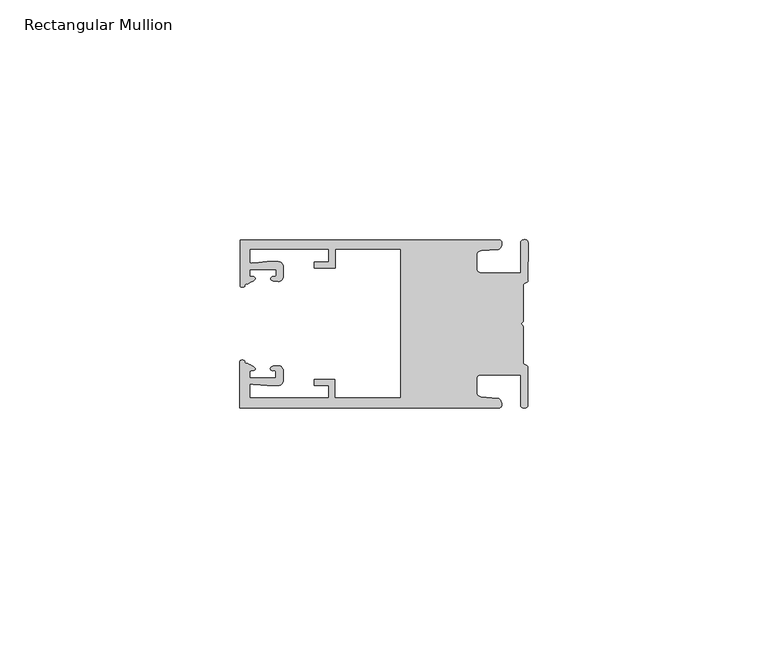
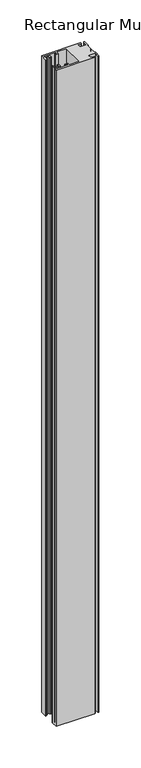
"""IFC4 building model written with IfcOpenShell, lengths in millimetres: member geometry, Rectangular Mullion."""

import ifcopenshell
import ifcopenshell.guid

model = None  # the IFC model being written
_history = None  # IfcOwnerHistory: only IFC2X3 demands one
_inside = {}  # id of a spatial element -> (the spatial element, [elements in it])
_under = {}  # id of a project, library or spatial element -> (it, [spatial elements below it])
_declared = {}  # id of a project -> (the project, [libraries it declares])
_typed = {}  # id of a type object -> (the type object, [elements of that type])
_made_of = {}  # id of a material, layer set ... -> (it, [elements and type objects made of it])


def new_model(schema):
    """Start an empty IFC model of exactly this schema.

    Asked for "IFC4X3", IfcOpenShell would pick the latest addendum, in which some entities
    have other attributes; the version numbers below select the first issue.
    IFC2X3 requires an IfcOwnerHistory on every rooted entity: one is made here for all.
    """
    global model, _history
    if schema == "IFC4X3":
        model = ifcopenshell.file(schema_version=(4, 3, 0, 0))
    else:
        model = ifcopenshell.file(schema=schema)
    _inside.clear()
    _under.clear()
    _declared.clear()
    _typed.clear()
    _made_of.clear()
    _history = None
    if model.schema == "IFC2X3":
        org = make("IfcOrganization", Name="unknown")
        user = make(
            "IfcPersonAndOrganization",
            ThePerson=make("IfcPerson", FamilyName="unknown"),
            TheOrganization=org,
        )
        app = make(
            "IfcApplication",
            ApplicationDeveloper=org,
            Version="unknown",
            ApplicationFullName="unknown",
            ApplicationIdentifier="unknown",
        )
        _history = make(
            "IfcOwnerHistory",
            OwningUser=user,
            OwningApplication=app,
            ChangeAction="ADDED",
            CreationDate=0,
        )
    return model


def make(cls, **values):
    """One entity of the class cls with the attributes given. An attribute that is None is left unset."""
    return model.create_entity(
        cls, **{name: value for name, value in values.items() if value is not None}
    )


def rooted(cls, **values):
    """An entity with a GlobalId (a new one), such as an element, a storey or a relation."""
    return make(cls, GlobalId=ifcopenshell.guid.new(), OwnerHistory=_history, **values)


def si_unit(unit_type, name, prefix=None):
    """IfcSIUnit, for example si_unit("LENGTHUNIT", "METRE", prefix="MILLI")."""
    return make("IfcSIUnit", UnitType=unit_type, Prefix=prefix, Name=name)


def assignment(units):
    """IfcUnitAssignment: the units of a project."""
    return None if units is None else make("IfcUnitAssignment", Units=units)


def point(xyz):
    """IfcCartesianPoint."""
    return None if xyz is None else make("IfcCartesianPoint", Coordinates=xyz)


def direction(xyz):
    """IfcDirection."""
    return None if xyz is None else make("IfcDirection", DirectionRatios=xyz)


def frame(location, z_axis=None, x_axis=None):
    """IfcAxis2Placement3D, a coordinate frame: its origin and axes. An axis left out is left unset."""
    return make(
        "IfcAxis2Placement3D",
        Location=point(location),
        Axis=direction(z_axis),
        RefDirection=direction(x_axis),
    )


def origin():
    """The frame at (0, 0, 0) with its axes left unset."""
    return frame((0.0, 0.0, 0.0))


def place(relative_to, where):
    """IfcLocalPlacement: puts the frame where relative to a parent placement (None: the world)."""
    return make(
        "IfcLocalPlacement", PlacementRelTo=relative_to, RelativePlacement=where
    )


def context(
    kind, dimensions, precision=None, world=None, true_north=None, identifier=None
):
    """IfcGeometricRepresentationContext, for example the 3D "Model" context."""
    return make(
        "IfcGeometricRepresentationContext",
        ContextIdentifier=identifier,
        ContextType=kind,
        CoordinateSpaceDimension=dimensions,
        Precision=precision,
        WorldCoordinateSystem=world,
        TrueNorth=true_north,
    )


def project(units=None, contexts=None):
    """IfcProject with its units and contexts."""
    return rooted(
        "IfcProject",
        Name="project",
        RepresentationContexts=contexts,
        UnitsInContext=assignment(units),
    )


def spatial(cls, under=None, at=None, **own):
    """A site, building, storey or space (cls), placed at a placement, below another one or the project."""
    s = rooted(cls, ObjectPlacement=at, **own)
    if under is not None:
        _under.setdefault(under.id(), (under, []))[1].append(s)
    return s


def circle_curve(where, radius):
    """IfcCircle in the frame where."""
    return make("IfcCircle", Position=where, Radius=radius)


def shape(context_of_items, identifier, shape_type, items):
    """IfcShapeRepresentation: the items that make up one representation, for example the "Body"."""
    return make(
        "IfcShapeRepresentation",
        ContextOfItems=context_of_items,
        RepresentationIdentifier=identifier,
        RepresentationType=shape_type,
        Items=items,
    )


def source(mapping_origin, context_of_items, identifier, shape_type, items):
    """IfcRepresentationMap: a shape defined once, which mapped items show again and again."""
    return make(
        "IfcRepresentationMap",
        MappingOrigin=mapping_origin,
        MappedRepresentation=shape(context_of_items, identifier, shape_type, items),
    )


def transform(
    local_origin,
    x_axis=None,
    y_axis=None,
    z_axis=None,
    scale=None,
    scale2=None,
    scale3=None,
    uniform=True,
):
    """IfcCartesianTransformationOperator3D, or its non-uniform kind. x_axis, y_axis, z_axis: its Axis1, 2, 3."""
    if uniform:
        return make(
            "IfcCartesianTransformationOperator3D",
            Axis1=direction(x_axis),
            Axis2=direction(y_axis),
            LocalOrigin=point(local_origin),
            Scale=scale,
            Axis3=direction(z_axis),
        )
    return make(
        "IfcCartesianTransformationOperator3DnonUniform",
        Axis1=direction(x_axis),
        Axis2=direction(y_axis),
        LocalOrigin=point(local_origin),
        Scale=scale,
        Axis3=direction(z_axis),
        Scale2=scale2,
        Scale3=scale3,
    )


def mapped(mapping_source, mapping_target):
    """IfcMappedItem: shows the shape of a source again, moved by a transform."""
    return make(
        "IfcMappedItem", MappingSource=mapping_source, MappingTarget=mapping_target
    )


def made_of(thing, what):
    """Note that an element or type object is made of a material, layer set ...; save() writes the relation."""
    if what is not None:
        _made_of.setdefault(what.id(), (what, []))[1].append(thing)
    return thing


def element(
    cls,
    number,
    at=None,
    inside=None,
    cuts=None,
    type_object=None,
    material=None,
    context=None,
    identifier="Body",
    shape_type=None,
    held_by="IfcProductDefinitionShape",
    body=None,
    shapes=None,
    **own,
):
    """One element of the class cls, such as IfcWall. Its Tag is "e" and its number.

    at: its placement. inside: the storey or other place that contains it. cuts: it is an
    opening in that element (IfcRelVoidsElement). A single representation is given by context,
    identifier, shape_type and body (its items); several are given by shapes. held_by: the class
    of the entity that holds the representations. save() writes the other relations.
    """
    e = rooted(cls, Tag="e%d" % number, ObjectPlacement=at, **own)
    if body is not None:
        shapes = [shape(context, identifier, shape_type, body)]
    if shapes is not None:
        e.Representation = make(held_by, Representations=shapes)
    if inside is not None:
        _inside.setdefault(inside.id(), (inside, []))[1].append(e)
    if cuts is not None:
        rooted(
            "IfcRelVoidsElement", RelatingBuildingElement=cuts, RelatedOpeningElement=e
        )
    if type_object is not None:
        _typed.setdefault(type_object.id(), (type_object, []))[1].append(e)
    return made_of(e, material)


def aggregate(whole, parts):
    """IfcRelAggregates: a whole, such as a stair, and the parts it consists of."""
    return rooted("IfcRelAggregates", RelatingObject=whole, RelatedObjects=parts)


def save(model, path):
    """Write the relations noted so far, then the file.

    IfcRelAggregates (storeys below a building ...), IfcRelContainedInSpatialStructure (elements
    in a storey), IfcRelDefinesByType, IfcRelAssociatesMaterial and IfcRelDeclares: one each for
    every whole, place, type object, material and project.
    """
    for whole, parts in _under.values():
        aggregate(whole, parts)
    for where, things in _inside.values():
        rooted(
            "IfcRelContainedInSpatialStructure",
            RelatedElements=things,
            RelatingStructure=where,
        )
    for kind, things in _typed.values():
        rooted("IfcRelDefinesByType", RelatedObjects=things, RelatingType=kind)
    for what, things in _made_of.values():
        rooted("IfcRelAssociatesMaterial", RelatedObjects=things, RelatingMaterial=what)
    for by, libraries in _declared.values():
        rooted("IfcRelDeclares", RelatingContext=by, RelatedDefinitions=libraries)
    model.write(path)


def plane_surface(at):
    """IfcPlane: the flat surface through the origin of the frame at, square to its z axis."""
    return make("IfcPlane", Position=at)


def cylinder_surface(at, radius):
    """IfcCylindricalSurface: all points at the distance radius from the z axis of the frame at."""
    return make("IfcCylindricalSurface", Position=at, Radius=radius)


def extruded_surface(curve, direction_of_extrusion, depth):
    """IfcSurfaceOfLinearExtrusion: the curve pushed along a direction by depth."""
    return make(
        "IfcSurfaceOfLinearExtrusion",
        SweptCurve=make("IfcArbitraryOpenProfileDef", ProfileType="CURVE", Curve=curve),
        ExtrudedDirection=direction(direction_of_extrusion),
        Depth=depth,
    )


def spline_curve(degree, points, multiplicities, knots, weights=None):
    """IfcBSplineCurveWithKnots; with weights, IfcRationalBSplineCurveWithKnots."""
    own = dict(
        Degree=degree,
        ControlPointsList=[point(p) for p in points],
        CurveForm="UNSPECIFIED",
        ClosedCurve=False,
        SelfIntersect=False,
        KnotMultiplicities=multiplicities,
        Knots=knots,
        KnotSpec="UNSPECIFIED",
    )
    if weights is None:
        return make("IfcBSplineCurveWithKnots", **own)
    return make("IfcRationalBSplineCurveWithKnots", WeightsData=weights, **own)


def advanced_brep(points, edges, surfaces, faces):
    """IfcAdvancedBrep: a solid bounded by faces that lie on surfaces and meet in shared edges.

    An edge is (start, end): straight between two places in points (the first is 0);
    or (start, end, curve); or (start, end, curve, False) where it runs against its curve.
    A face is (place in surfaces, loops), or (place, loops, False) where it looks against
    its surface's normal. A loop lists edges by number (the first is 1), with a minus sign
    where the edge is run from its end to its start. The first loop is the outer one.
    """
    corners = [point(p) for p in points]
    vertices = [make("IfcVertexPoint", VertexGeometry=c) for c in corners]
    made = []
    for start, end, *more in edges:
        made.append(
            make(
                "IfcEdgeCurve",
                EdgeStart=vertices[start],
                EdgeEnd=vertices[end],
                EdgeGeometry=more[0] if more else make("IfcPolyline", Points=[corners[start], corners[end]]),
                SameSense=more[1] if len(more) > 1 else True,
            )
        )
    hull = []
    for where, loops, *sense in faces:
        bounds = []
        for j, loop in enumerate(loops):
            ring = [make("IfcOrientedEdge", EdgeElement=made[abs(k) - 1], Orientation=k > 0) for k in loop]
            bounds.append(
                make(
                    "IfcFaceOuterBound" if j == 0 else "IfcFaceBound",
                    Bound=make("IfcEdgeLoop", EdgeList=ring),
                    Orientation=True,
                )
            )
        hull.append(make("IfcAdvancedFace", Bounds=bounds, FaceSurface=surfaces[where], SameSense=sense[0] if sense else True))
    return make("IfcAdvancedBrep", Outer=make("IfcClosedShell", CfsFaces=hull))


def rectangular_mullion_8b7f7b79(model_context):
    return source(origin(), model_context, "Body", "AdvancedBrep", [
        advanced_brep(
        [(-60.0749377, 17.5111528, 0.0), (-60.0749377, 8.0140787, 0.0), (-59.3252567, 7.7187455, 0.0), (-58.4967974, 8.36785, 0.0), (-58.0726619, 10.1173923, 0.0), (-58.0713101, 11.3673916, 0.0), (-52.5713133, 11.3614437, 0.0), (-52.5726651, 10.1114444, 0.0), (-53.1427626, 8.8955539, 0.0), (-52.0740172, 8.8609044, 0.0), (-51.0729364, 9.8598224, 0.0), (-51.0706653, 11.9598211, 0.0), (-52.0700692, 12.9609024, 0.0), (-54.3905105, 12.9622843, 0.0), (-57.1599646, 12.7230061, 0.0), (-58.0696339, 12.9173907, 0.0), (-58.066768, 15.5673891, 0.0), (-41.5667584, 15.5673891, 0.0), (-41.5695894, 12.9495468, 0.0), (-44.5695877, 12.9527912, 0.0), (-44.5709936, 11.6527919, 0.0), (-40.2709961, 11.6481417, 0.0), (-40.2667576, 15.5673891, 0.0), (-26.6002952, 15.5673891, 0.0), (-26.6002952, -15.4518424, 0.0), (-40.3003032, -15.4518424, 0.0), (-40.2960856, -11.5518447, 0.0), (-44.5960831, -11.5471945, 0.0), (-44.597489, -12.8471938, 0.0), (-41.5974907, -12.8504381, 0.0), (-41.6003025, -15.4504366, 0.0), (-58.1002928, -15.4325927, 0.0), (-58.097427, -12.7825943, 0.0), (-57.1873395, -12.5901776, 0.0), (-54.4184094, -12.8354453, 0.0), (-52.0979705, -12.8390822, 0.0), (-51.0964037, -11.8401649, 0.0), (-51.0941327, -9.7401662, 0.0), (-52.0930507, -8.7390853, 0.0), (-53.1618685, -8.7714231, 0.0), (-52.5944022, -9.9885439, 0.0), (-52.595754, -11.2385431, 0.0), (-58.0957508, -11.2325952, 0.0), (-58.094399, -9.9825959, 0.0), (-58.5147494, -8.2321403, 0.0), (-59.3418028, -7.5812455, 0.0), (-60.0921208, -7.8749565, 0.0), (-60.0921208, -17.4888267, 0.0), (-6.1024861, -17.4888267, 0.0), (-6.5218639, -15.488372, 0.0), (-9.8784944, -15.2205466, 0.0), (-10.7989567, -14.2226333, 0.0), (-10.7961029, -11.5837474, 0.0), (-9.8734844, -10.5878272, 0.0), (-1.5950266, -10.5934991, 0.0), (-1.601948, -16.9936935, 0.0), (-0.1017194, -16.7830581, 0.0), (-0.0933208, -9.0170082, 0.0), (-1.0923837, -8.1499018, 0.0), (-1.0842165, -0.5977972, 0.0), (-1.0829111, 0.6093089, 0.0), (-1.0747439, 8.1614135, 0.0), (-0.0738079, 9.026357, 0.0), (-0.0654093, 16.7924069, 0.0), (-1.5651789, 17.0062866, 0.0), (-1.5651789, 10.6183257, 0.0), (-9.8505511, 10.6183257, 0.0), (-10.7710133, 11.6162391, 0.0), (-10.7681595, 14.255125, 0.0), (-9.845541, 15.2510452, 0.0), (-6.4883391, 15.5116099, 0.0), (-6.0646356, 17.5111528, 0.0), (-60.0749377, 17.5111528, -965.2), (-6.0646356, 17.5111528, -965.2), (-6.4883391, 15.5116099, -965.2), (-9.845541, 15.2510452, -965.2), (-10.7681595, 14.255125, -965.2), (-10.7710133, 11.6162391, -965.2), (-9.8505511, 10.6183257, -965.2), (-1.5651789, 10.6183257, -965.2), (-1.5651789, 17.0062866, -965.2), (-0.0654093, 16.7924069, -965.2), (-0.0738079, 9.026357, -965.2), (-1.0747439, 8.1614135, -965.2), (-1.0829111, 0.6093089, -965.2), (-1.0842165, -0.5977972, -965.2), (-1.0923837, -8.1499018, -965.2), (-0.0933208, -9.0170082, -965.2), (-0.1017194, -16.7830581, -965.2), (-1.601948, -16.9936935, -965.2), (-1.5950266, -10.5934991, -965.2), (-9.8734844, -10.5878272, -965.2), (-10.7961029, -11.5837474, -965.2), (-10.7989567, -14.2226333, -965.2), (-9.8784944, -15.2205466, -965.2), (-6.5218639, -15.488372, -965.2), (-6.1024861, -17.4888267, -965.2), (-60.0921208, -17.4888267, -965.2), (-60.0921208, -7.8749565, -965.2), (-59.3418028, -7.5812455, -965.2), (-58.5147494, -8.2321403, -965.2), (-58.094399, -9.9825959, -965.2), (-58.0957508, -11.2325952, -965.2), (-52.595754, -11.2385431, -965.2), (-52.5944022, -9.9885439, -965.2), (-53.1618685, -8.7714231, -965.2), (-52.0930507, -8.7390853, -965.2), (-51.0941327, -9.7401662, -965.2), (-51.0964037, -11.8401649, -965.2), (-52.0979705, -12.8390823, -965.2), (-54.4184094, -12.8354453, -965.2), (-57.1873395, -12.5901776, -965.2), (-58.097427, -12.7825943, -965.2), (-58.1002928, -15.4325927, -965.2), (-41.6003025, -15.4504366, -965.2), (-41.5974907, -12.8504381, -965.2), (-44.597489, -12.8471938, -965.2), (-44.5960831, -11.5471945, -965.2), (-40.2960856, -11.5518447, -965.2), (-40.3003032, -15.4518424, -965.2), (-26.6002952, -15.4518424, -965.2), (-26.6002952, 15.5673891, -965.2), (-40.2667576, 15.5673891, -965.2), (-40.2709961, 11.6481417, -965.2), (-44.5709936, 11.6527919, -965.2), (-44.5695877, 12.9527912, -965.2), (-41.5695894, 12.9495468, -965.2), (-41.5667584, 15.5673891, -965.2), (-58.066768, 15.5673891, -965.2), (-58.0696339, 12.9173907, -965.2), (-57.1599646, 12.7230061, -965.2), (-54.3905105, 12.9622843, -965.2), (-52.0700692, 12.9609023, -965.2), (-51.0706653, 11.9598211, -965.2), (-51.0729364, 9.8598224, -965.2), (-52.0740172, 8.8609044, -965.2), (-53.1427626, 8.8955539, -965.2), (-52.5726651, 10.1114444, -965.2), (-52.5713133, 11.3614437, -965.2), (-58.0713101, 11.3673916, -965.2), (-58.0726619, 10.1173923, -965.2), (-58.4967974, 8.36785, -965.2), (-59.3252567, 7.7187455, -965.2), (-60.0749377, 8.0140787, -965.2)],
        [
            (0, 1),
            (1, 2, spline_curve(3, [(-60.0749377, 8.0140787, 0.0), (-60.075233123, 7.740904774, 0.0), (-59.825339491, 7.642460332, 0.0), (-59.3252567, 7.7187455, 0.0)], [4, 4], [0.0, 0.0019169337574178654])),
            (2, 3, spline_curve(3, [(-59.3252567, 7.7187455, 0.0), (-59.094460914, 7.75918372, 0.0), (-59.054835463, 7.902257199, 0.0), (-59.05559987, 8.233305614, 0.0), (-59.138729113, 8.4134359, 0.0), (-58.4967974, 8.36785, 0.0)], [4, 2, 4], [0.0, 0.0010199524164107188, 0.0024874514725970356])),
            (3, 4, spline_curve(3, [(-58.4967974, 8.36785, 0.0), (-57.022393378, 9.053435667, 0.0), (-56.827266887, 9.364828726, 0.0), (-56.982213078, 9.742623404, 0.0), (-57.177375211, 9.855581791, 0.0), (-57.697928101, 9.887955071, 0.0), (-57.997449153, 9.835475348, 0.0), (-58.0726619, 10.1173923, 0.0)], [4, 2, 2, 4], [0.0, 0.003269869179570428, 0.005490050486237203, 0.0073545767114364426])),
            (4, 5),
            (5, 6),
            (6, 7),
            (7, 8, spline_curve(3, [(-52.5726651, 10.1114444, 0.0), (-52.667195519, 9.760172042, 0.0), (-52.937094388, 9.861877724, 0.0), (-53.356237032, 9.895631753, 0.0), (-53.491940439, 9.811038713, 0.0), (-53.761900775, 9.511438033, 0.0), (-53.892893546, 9.278787104, 0.0), (-53.1427626, 8.8955539, 0.0)], [4, 2, 2, 4], [0.0, 0.001593963049934732, 0.0033360256320283306, 0.005339140673503943])),
            (8, 9),
            (9, 10, circle_curve(frame((-52.0729358, 9.8609038, 0.0), z_axis=(0.0, 0.0, 1.0), x_axis=(-0.0010814451158600304, -0.9999994152380598, 0.0)), 1.0)),
            (10, 11),
            (11, 12, circle_curve(frame((-52.0706647, 11.9609026, 0.0), z_axis=(0.0, 0.0, 1.0), x_axis=(-0.0010814451158600304, -0.9999994152380598, 0.0)), 1.0)),
            (12, 13),
            (13, 14),
            (14, 15, spline_curve(3, [(-57.1599646, 12.7230061, 0.0), (-57.631533854, 12.682262968, 0.0), (-58.018602985, 12.477800124, 0.0), (-58.0696339, 12.9173907, 0.0)], [4, 4], [0.0, 0.0014803385355886016])),
            (15, 16),
            (16, 17),
            (17, 18),
            (18, 19),
            (19, 20),
            (20, 21),
            (21, 22),
            (22, 23),
            (23, 24),
            (24, 25),
            (25, 26),
            (26, 27),
            (27, 28),
            (28, 29),
            (29, 30),
            (30, 31),
            (31, 32),
            (32, 33, spline_curve(3, [(-58.097427, -12.7825943, 0.0), (-58.045445419, -12.343115126, 0.0), (-57.658819528, -12.548414611, 0.0), (-57.1873395, -12.5901776, 0.0)], [4, 4], [0.0, 0.0014803385355886016])),
            (33, 34),
            (34, 35),
            (35, 36, circle_curve(frame((-52.0964031, -11.8390835, 0.0), z_axis=(0.0, 0.0, 1.0), x_axis=(0.0010814451158600304, 0.9999994152380598, 0.0)), 1.0)),
            (36, 37),
            (37, 38, circle_curve(frame((-52.0941321, -9.7390847, 0.0), z_axis=(0.0, 0.0, 1.0), x_axis=(0.0010814451158600304, 0.9999994152380598, 0.0)), 1.0)),
            (38, 39),
            (39, 40, spline_curve(3, [(-53.1618685, -8.7714231, 0.0), (-53.912826582, -9.153032958, 0.0), (-53.782337352, -9.385966711, 0.0), (-53.51302565, -9.686150585, 0.0), (-53.377505444, -9.771037009, 0.0), (-52.958290774, -9.738189618, 0.0), (-52.688172635, -9.637067904, 0.0), (-52.5944022, -9.9885439, 0.0)], [4, 2, 2, 4], [0.0, 0.002003115041475612, 0.0037451776235692107, 0.005339140673503943])),
            (40, 41),
            (41, 42),
            (42, 43),
            (43, 44, spline_curve(3, [(-58.094399, -9.9825959, 0.0), (-58.018576674, -9.700842284, 0.0), (-57.719169706, -9.753969703, 0.0), (-57.198548014, -9.722722397, 0.0), (-57.003142178, -9.61018632, 0.0), (-56.847379222, -9.232727657, 0.0), (-57.041831673, -8.920913336, 0.0), (-58.5147494, -8.2321403, 0.0)], [4, 2, 2, 4], [0.0, 0.0018645262251992395, 0.004084707531866015, 0.0073545767114364426])),
            (44, 45, spline_curve(3, [(-58.5147494, -8.2321403, 0.0), (-59.156778208, -8.276337666, 0.0), (-59.073259494, -8.096387681, 0.0), (-59.071779067, -7.765341694, 0.0), (-59.111095017, -7.622182811, 0.0), (-59.3418028, -7.5812455, 0.0)], [4, 2, 4], [0.0, 0.0014674990561863168, 0.0024874514725970356])),
            (45, 46, spline_curve(3, [(-59.3418028, -7.5812455, 0.0), (-59.841719425, -7.503878887, 0.0), (-60.091825377, -7.601782574, 0.0), (-60.0921208, -7.8749565, 0.0)], [4, 4], [0.0, 0.0019169337574178654])),
            (46, 47),
            (47, 48),
            (48, 49, spline_curve(3, [(-6.1024861, -17.4888267, 0.0), (-5.074532184, -17.418062188, 0.0), (-5.631140689, -15.411414367, 0.0), (-6.5218639, -15.488372, 0.0)], [4, 4], [0.0, 0.0043819361547461745])),
            (49, 50),
            (50, 51, spline_curve(3, [(-9.8784944, -15.2205466, 0.0), (-10.440691543, -15.150698463, 0.0), (-10.74751234, -14.818060727, 0.0), (-10.7989567, -14.2226333, 0.0)], [4, 4], [0.0, 0.0028645797420738927])),
            (51, 52),
            (52, 53, spline_curve(3, [(-10.7961029, -11.5837474, 0.0), (-10.743370817, -10.988432634, 0.0), (-10.435831301, -10.656459204, 0.0), (-9.8734844, -10.5878272, 0.0)], [4, 4], [0.0, 0.0028645797420738927])),
            (53, 54),
            (54, 55),
            (55, 56, spline_curve(3, [(-1.601948, -16.9936935, 0.0), (-1.655676874, -17.600261454, 0.0), (-0.043737403, -17.912795581, 0.0), (-0.1017194, -16.7830581, 0.0)], [4, 4], [0.0, 0.0036987374396357936])),
            (56, 57),
            (57, 58, spline_curve(3, [(-0.0933208, -9.0170082, 0.0), (-0.018818183, -8.695886697, 0.0), (-1.193434327, -8.459763043, 0.0), (-1.0923837, -8.1499018, 0.0)], [4, 4], [0.0, 0.002027216749630121])),
            (58, 59),
            (59, 60, spline_curve(3, [(-1.0842165, -0.5977972, 0.0), (-1.013223198, -0.445980437, 0.0), (-1.487945123, -0.206736825, 0.0), (-1.487409651, 0.231097965, 0.0), (-0.999110985, 0.429090391, 0.0), (-1.0829111, 0.6093089, 0.0)], [4, 2, 4], [0.0, 0.00249866671847065, 0.005031402919736269])),
            (60, 61),
            (61, 62, spline_curve(3, [(-1.0747439, 8.1614135, 0.0), (-1.175124095, 8.47149258, 0.0), (-7e-09, 8.705075107, 0.0), (-0.0738079, 9.026357, 0.0)], [4, 4], [0.0, 0.002027216749630121])),
            (62, 63),
            (63, 64, spline_curve(3, [(-0.0654093, 16.7924069, 0.0), (-0.004983942, 17.92201633, 0.0), (-1.617595709, 17.612969344, 0.0), (-1.5651789, 17.0062866, 0.0)], [4, 4], [0.0, 0.0036987374396357936])),
            (64, 65),
            (65, 66),
            (66, 67, spline_curve(3, [(-9.8505511, 10.6183257, 0.0), (-10.412748243, 10.688173837, 0.0), (-10.71956894, 11.020811673, 0.0), (-10.7710133, 11.6162391, 0.0)], [4, 4], [0.0, 0.0028645797420738927])),
            (67, 68),
            (68, 69, spline_curve(3, [(-10.7681595, 14.255125, 0.0), (-10.715427417, 14.850439766, 0.0), (-10.407887901, 15.182413196, 0.0), (-9.845541, 15.2510452, 0.0)], [4, 4], [0.0, 0.0028645797420738927])),
            (69, 70),
            (70, 71, spline_curve(3, [(-6.4883391, 15.5116099, 0.0), (-5.597784423, 15.432725911, 0.0), (-5.036837144, 17.438165103, 0.0), (-6.0646356, 17.5111528, 0.0)], [4, 4], [0.0, 0.0043819361547461745])),
            (71, 0),
            (72, 73),
            (73, 74, spline_curve(3, [(-6.0646356, 17.5111528, -965.2), (-5.036837144, 17.438165103, -965.2), (-5.597784423, 15.432725911, -965.2), (-6.4883391, 15.5116099, -965.2)], [4, 4], [0.0, 0.0043819361547461745])),
            (74, 75),
            (75, 76, spline_curve(3, [(-9.845541, 15.2510452, -965.2), (-10.407887901, 15.182413196, -965.2), (-10.715427417, 14.850439766, -965.2), (-10.7681595, 14.255125, -965.2)], [4, 4], [0.0, 0.0028645797420738927])),
            (76, 77),
            (77, 78, spline_curve(3, [(-10.7710133, 11.6162391, -965.2), (-10.71956894, 11.020811673, -965.2), (-10.412748243, 10.688173837, -965.2), (-9.8505511, 10.6183257, -965.2)], [4, 4], [0.0, 0.0028645797420738927])),
            (78, 79),
            (79, 80),
            (80, 81, spline_curve(3, [(-1.5651789, 17.0062866, -965.2), (-1.617595709, 17.612969344, -965.2), (-0.004983942, 17.92201633, -965.2), (-0.0654093, 16.7924069, -965.2)], [4, 4], [0.0, 0.0036987374396357936])),
            (81, 82),
            (82, 83, spline_curve(3, [(-0.0738079, 9.026357, -965.2), (-7e-09, 8.705075107, -965.2), (-1.175124095, 8.47149258, -965.2), (-1.0747439, 8.1614135, -965.2)], [4, 4], [0.0, 0.002027216749630121])),
            (83, 84),
            (84, 85, spline_curve(3, [(-1.0829111, 0.6093089, -965.2), (-0.999110985, 0.429090391, -965.2), (-1.487409651, 0.231097965, -965.2), (-1.487945123, -0.206736825, -965.2), (-1.013223198, -0.445980437, -965.2), (-1.0842165, -0.5977972, -965.2)], [4, 2, 4], [0.0, 0.002532736201265619, 0.005031402919736269])),
            (85, 86),
            (86, 87, spline_curve(3, [(-1.0923837, -8.1499018, -965.2), (-1.193434327, -8.459763043, -965.2), (-0.018818183, -8.695886697, -965.2), (-0.0933208, -9.0170082, -965.2)], [4, 4], [0.0, 0.002027216749630121])),
            (87, 88),
            (88, 89, spline_curve(3, [(-0.1017194, -16.7830581, -965.2), (-0.043737403, -17.912795581, -965.2), (-1.655676874, -17.600261454, -965.2), (-1.601948, -16.9936935, -965.2)], [4, 4], [0.0, 0.0036987374396357936])),
            (89, 90),
            (90, 91),
            (91, 92, spline_curve(3, [(-9.8734844, -10.5878272, -965.2), (-10.435831301, -10.656459204, -965.2), (-10.743370817, -10.988432634, -965.2), (-10.7961029, -11.5837474, -965.2)], [4, 4], [0.0, 0.0028645797420738927])),
            (92, 93),
            (93, 94, spline_curve(3, [(-10.7989567, -14.2226333, -965.2), (-10.74751234, -14.818060727, -965.2), (-10.440691543, -15.150698463, -965.2), (-9.8784944, -15.2205466, -965.2)], [4, 4], [0.0, 0.0028645797420738927])),
            (94, 95),
            (95, 96, spline_curve(3, [(-6.5218639, -15.488372, -965.2), (-5.631140689, -15.411414367, -965.2), (-5.074532184, -17.418062188, -965.2), (-6.1024861, -17.4888267, -965.2)], [4, 4], [0.0, 0.0043819361547461745])),
            (96, 97),
            (97, 98),
            (98, 99, spline_curve(3, [(-60.0921208, -7.8749565, -965.2), (-60.091825377, -7.601782574, -965.2), (-59.841719425, -7.503878887, -965.2), (-59.3418028, -7.5812455, -965.2)], [4, 4], [0.0, 0.0019169337574178654])),
            (99, 100, spline_curve(3, [(-59.3418028, -7.5812455, -965.2), (-59.111095017, -7.622182811, -965.2), (-59.071779067, -7.765341694, -965.2), (-59.073259494, -8.096387681, -965.2), (-59.156778208, -8.276337666, -965.2), (-58.5147494, -8.2321403, -965.2)], [4, 2, 4], [0.0, 0.0010199524164107188, 0.0024874514725970356])),
            (100, 101, spline_curve(3, [(-58.5147494, -8.2321403, -965.2), (-57.041831673, -8.920913336, -965.2), (-56.847379222, -9.232727657, -965.2), (-57.003142178, -9.61018632, -965.2), (-57.198548014, -9.722722397, -965.2), (-57.719169706, -9.753969703, -965.2), (-58.018576674, -9.700842284, -965.2), (-58.094399, -9.9825959, -965.2)], [4, 2, 2, 4], [0.0, 0.003269869179570428, 0.005490050486237203, 0.0073545767114364426])),
            (101, 102),
            (102, 103),
            (103, 104),
            (104, 105, spline_curve(3, [(-52.5944022, -9.9885439, -965.2), (-52.688172635, -9.637067904, -965.2), (-52.958290774, -9.738189618, -965.2), (-53.377505444, -9.771037009, -965.2), (-53.51302565, -9.686150585, -965.2), (-53.782337352, -9.385966711, -965.2), (-53.912826582, -9.153032958, -965.2), (-53.1618685, -8.7714231, -965.2)], [4, 2, 2, 4], [0.0, 0.001593963049934732, 0.0033360256320283306, 0.005339140673503943])),
            (105, 106),
            (106, 107, circle_curve(frame((-52.0941321, -9.7390847, -965.2), z_axis=(0.0, 0.0, -1.0), x_axis=(0.0010814451158600304, 0.9999994152380598, 0.0)), 1.0)),
            (107, 108),
            (108, 109, circle_curve(frame((-52.0964031, -11.8390835, -965.2), z_axis=(0.0, 0.0, -1.0), x_axis=(0.0010814451158600304, 0.9999994152380598, 0.0)), 1.0)),
            (109, 110),
            (110, 111),
            (111, 112, spline_curve(3, [(-57.1873395, -12.5901776, -965.2), (-57.658819528, -12.548414611, -965.2), (-58.045445419, -12.343115126, -965.2), (-58.097427, -12.7825943, -965.2)], [4, 4], [0.0, 0.0014803385355886016])),
            (112, 113),
            (113, 114),
            (114, 115),
            (115, 116),
            (116, 117),
            (117, 118),
            (118, 119),
            (119, 120),
            (120, 121),
            (121, 122),
            (122, 123),
            (123, 124),
            (124, 125),
            (125, 126),
            (126, 127),
            (127, 128),
            (128, 129),
            (129, 130, spline_curve(3, [(-58.0696339, 12.9173907, -965.2), (-58.018602985, 12.477800124, -965.2), (-57.631533854, 12.682262968, -965.2), (-57.1599646, 12.7230061, -965.2)], [4, 4], [0.0, 0.0014803385355886016])),
            (130, 131),
            (131, 132),
            (132, 133, circle_curve(frame((-52.0706647, 11.9609026, -965.2), z_axis=(0.0, 0.0, -1.0), x_axis=(-0.0010814451158600304, -0.9999994152380598, 0.0)), 1.0)),
            (133, 134),
            (134, 135, circle_curve(frame((-52.0729358, 9.8609038, -965.2), z_axis=(0.0, 0.0, -1.0), x_axis=(-0.0010814451158600304, -0.9999994152380598, 0.0)), 1.0)),
            (135, 136),
            (136, 137, spline_curve(3, [(-53.1427626, 8.8955539, -965.2), (-53.892893546, 9.278787104, -965.2), (-53.761900775, 9.511438033, -965.2), (-53.491940439, 9.811038713, -965.2), (-53.356237032, 9.895631753, -965.2), (-52.937094388, 9.861877724, -965.2), (-52.667195519, 9.760172042, -965.2), (-52.5726651, 10.1114444, -965.2)], [4, 2, 2, 4], [0.0, 0.002003115041475612, 0.0037451776235692107, 0.005339140673503943])),
            (137, 138),
            (138, 139),
            (139, 140),
            (140, 141, spline_curve(3, [(-58.0726619, 10.1173923, -965.2), (-57.997449153, 9.835475348, -965.2), (-57.697928101, 9.887955071, -965.2), (-57.177375211, 9.855581791, -965.2), (-56.982213078, 9.742623404, -965.2), (-56.827266887, 9.364828726, -965.2), (-57.022393378, 9.053435667, -965.2), (-58.4967974, 8.36785, -965.2)], [4, 2, 2, 4], [0.0, 0.0018645262251992395, 0.004084707531866015, 0.0073545767114364426])),
            (141, 142, spline_curve(3, [(-58.4967974, 8.36785, -965.2), (-59.138729113, 8.4134359, -965.2), (-59.05559987, 8.233305614, -965.2), (-59.054835463, 7.902257199, -965.2), (-59.094460914, 7.75918372, -965.2), (-59.3252567, 7.7187455, -965.2)], [4, 2, 4], [0.0, 0.0014674990561863168, 0.0024874514725970356])),
            (142, 143, spline_curve(3, [(-59.3252567, 7.7187455, -965.2), (-59.825339491, 7.642460332, -965.2), (-60.075233123, 7.740904774, -965.2), (-60.0749377, 8.0140787, -965.2)], [4, 4], [0.0, 0.0019169337574178654])),
            (143, 72),
            (0, 72),
            (143, 1),
            (142, 2),
            (141, 3),
            (140, 4),
            (139, 5),
            (138, 6),
            (137, 7),
            (136, 8),
            (135, 9),
            (134, 10),
            (133, 11),
            (132, 12),
            (131, 13),
            (130, 14),
            (129, 15),
            (128, 16),
            (127, 17),
            (126, 18),
            (125, 19),
            (124, 20),
            (123, 21),
            (122, 22),
            (121, 23),
            (120, 24),
            (119, 25),
            (118, 26),
            (117, 27),
            (116, 28),
            (115, 29),
            (114, 30),
            (113, 31),
            (112, 32),
            (111, 33),
            (110, 34),
            (109, 35),
            (108, 36),
            (107, 37),
            (106, 38),
            (105, 39),
            (104, 40),
            (103, 41),
            (102, 42),
            (101, 43),
            (100, 44),
            (99, 45),
            (98, 46),
            (97, 47),
            (96, 48),
            (95, 49),
            (94, 50),
            (93, 51),
            (92, 52),
            (91, 53),
            (90, 54),
            (89, 55),
            (88, 56),
            (87, 57),
            (86, 58),
            (85, 59),
            (84, 60),
            (83, 61),
            (82, 62),
            (81, 63),
            (80, 64),
            (79, 65),
            (78, 66),
            (77, 67),
            (76, 68),
            (75, 69),
            (74, 70),
            (73, 71),
        ],
        [
            plane_surface(frame((0.0, -62.5853181, 0.0), z_axis=(0.0, 0.0, 1.0), x_axis=(-1.0, 0.0, 0.0))),
            plane_surface(frame((0.0, -62.5853181, -965.2), z_axis=(0.0, 0.0, -1.0), x_axis=(-1.0, 0.0, 0.0))),
            plane_surface(frame((-60.0749377, 17.5111528, 0.0), z_axis=(-1.0, 0.0, 0.0), x_axis=(0.0, 0.0, -1.0))),
            extruded_surface(spline_curve(3, [(-60.0749377, 8.0140787, -965.2), (-60.075233123, 7.740904774, -965.2), (-59.825339491, 7.642460332, -965.2), (-59.3252567, 7.7187455, -965.2)], [4, 4], [0.0, 0.0019169337574178654]), (0.0, 0.0, 965.2), 965.2),
            extruded_surface(spline_curve(3, [(-59.3252567, 7.7187455, -965.2), (-59.094460914, 7.75918372, -965.2), (-59.054835463, 7.902257199, -965.2), (-59.05559987, 8.233305614, -965.2), (-59.138729113, 8.4134359, -965.2), (-58.4967974, 8.36785, -965.2)], [4, 2, 4], [0.0, 0.0010199524164107188, 0.0024874514725970356]), (0.0, 0.0, 965.2), 965.2),
            extruded_surface(spline_curve(3, [(-58.4967974, 8.36785, -965.2), (-57.022393378, 9.053435667, -965.2), (-56.827266887, 9.364828726, -965.2), (-56.982213078, 9.742623404, -965.2), (-57.177375211, 9.855581791, -965.2), (-57.697928101, 9.887955071, -965.2), (-57.997449153, 9.835475348, -965.2), (-58.0726619, 10.1173923, -965.2)], [4, 2, 2, 4], [0.0, 0.003269869179570428, 0.005490050486237203, 0.0073545767114364426]), (0.0, 0.0, 965.2), 965.2),
            plane_surface(frame((-58.0726619, 10.1173923, 0.0), z_axis=(0.9999994152380598, -0.0010814451158634145, 0.0), x_axis=(0.0, 0.0, -1.0))),
            plane_surface(frame((-58.0713101, 11.3673916, 0.0), z_axis=(-0.0010814451158616418, -0.9999994152380598, 0.0), x_axis=(0.0, 0.0, -1.0))),
            plane_surface(frame((-52.5713133, 11.3614437, 0.0), z_axis=(-0.9999994152380598, 0.0010814451158643293, 0.0), x_axis=(0.0, 0.0, -1.0))),
            extruded_surface(spline_curve(3, [(-52.5726651, 10.1114444, -965.2), (-52.667195519, 9.760172042, -965.2), (-52.937094388, 9.861877724, -965.2), (-53.356237032, 9.895631753, -965.2), (-53.491940439, 9.811038713, -965.2), (-53.761900775, 9.511438033, -965.2), (-53.892893546, 9.278787104, -965.2), (-53.1427626, 8.8955539, -965.2)], [4, 2, 2, 4], [0.0, 0.001593963049934732, 0.0033360256320283306, 0.005339140673503943]), (0.0, 0.0, 965.2), 965.2),
            plane_surface(frame((-53.1427626, 8.8955539, 0.0), z_axis=(-0.032403661401520414, -0.9994748634797054, 0.0), x_axis=(0.0, 0.0, -1.0))),
            cylinder_surface(frame((-52.0729358, 9.8609038, 0.0), z_axis=(0.0, 0.0, 1.0000000000000002), x_axis=(-0.0010814451158600304, -0.9999994152380598, 0.0)), 1.0),
            plane_surface(frame((-51.0729364, 9.8598224, 0.0), z_axis=(0.9999994152380598, -0.001081445115864059, 0.0), x_axis=(0.0, 0.0, -1.0))),
            cylinder_surface(frame((-52.0706647, 11.9609026, 0.0), z_axis=(0.0, 0.0, 1.0000000000000002), x_axis=(-0.0010814451158600304, -0.9999994152380598, 0.0)), 1.0),
            plane_surface(frame((-52.0700692, 12.9609023, 0.0), z_axis=(0.0005955716436318007, 0.999999822647193, 0.0), x_axis=(0.0, 0.0, -1.0))),
            plane_surface(frame((-54.3905105, 12.9622843, 0.0), z_axis=(-0.08607836189159865, 0.9962883697073147, 0.0), x_axis=(0.0, 0.0, -1.0))),
            extruded_surface(spline_curve(3, [(-57.1599646, 12.7230061, -965.2), (-57.631533854, 12.682262968, -965.2), (-58.018602985, 12.477800124, -965.2), (-58.0696339, 12.9173907, -965.2)], [4, 4], [0.0, 0.0014803385355886016]), (0.0, 0.0, 965.2), 965.2),
            plane_surface(frame((-58.0696339, 12.9173907, 0.0), z_axis=(0.9999994152380598, -0.0010814451158629996, 0.0), x_axis=(0.0, 0.0, -1.0))),
            plane_surface(frame((-58.066768, 15.5673891, 0.0), z_axis=(0.0, -1.0, 0.0), x_axis=(0.0, 0.0, -1.0))),
            plane_surface(frame((-41.5667584, 15.5673891, 0.0), z_axis=(-0.9999994152380598, 0.0010814451158636304, 0.0), x_axis=(0.0, 0.0, -1.0))),
            plane_surface(frame((-41.5695894, 12.9495468, 0.0), z_axis=(0.0010814451158615687, 0.9999994152380598, 0.0), x_axis=(0.0, 0.0, -1.0))),
            plane_surface(frame((-44.5695877, 12.9527912, 0.0), z_axis=(-0.9999994152380598, 0.0010814451158626742, 0.0), x_axis=(0.0, 0.0, -1.0))),
            plane_surface(frame((-44.5709936, 11.6527919, 0.0), z_axis=(-0.001081445115861604, -0.9999994152380598, 0.0), x_axis=(0.0, 0.0, -1.0))),
            plane_surface(frame((-40.2709961, 11.6481417, 0.0), z_axis=(0.9999994152380598, -0.001081445115863507, 0.0), x_axis=(0.0, 0.0, -1.0))),
            plane_surface(frame((-40.2667576, 15.5673891, 0.0), z_axis=(0.0, -1.0, 0.0), x_axis=(0.0, 0.0, -1.0))),
            plane_surface(frame((-26.6002952, 15.5673891, 0.0), z_axis=(-1.0, 0.0, 0.0), x_axis=(0.0, 0.0, -1.0))),
            plane_surface(frame((-26.6002952, -15.4518424, 0.0), z_axis=(0.0, 1.0, 0.0), x_axis=(0.0, 0.0, -1.0))),
            plane_surface(frame((-40.3003032, -15.4518424, 0.0), z_axis=(0.9999994152380598, -0.0010814451158565538, 0.0), x_axis=(0.0, 0.0, -1.0))),
            plane_surface(frame((-40.2960856, -11.5518447, 0.0), z_axis=(0.0010814451158584568, 0.9999994152380598, 0.0), x_axis=(0.0, 0.0, -1.0))),
            plane_surface(frame((-44.5960831, -11.5471945, 0.0), z_axis=(-0.9999994152380598, 0.0010814451158573867, 0.0), x_axis=(0.0, 0.0, -1.0))),
            plane_surface(frame((-44.597489, -12.8471938, 0.0), z_axis=(-0.0010814451158584922, -0.9999994152380598, 0.0), x_axis=(0.0, 0.0, -1.0))),
            plane_surface(frame((-41.5974907, -12.8504381, 0.0), z_axis=(-0.9999994152380598, 0.0010814451158564305, 0.0), x_axis=(0.0, 0.0, -1.0))),
            plane_surface(frame((-41.6003025, -15.4504366, 0.0), z_axis=(0.0010814451158583872, 0.9999994152380598, 0.0), x_axis=(0.0, 0.0, -1.0))),
            plane_surface(frame((-58.1002928, -15.4325927, 0.0), z_axis=(0.9999994152380598, -0.0010814451158570612, 0.0), x_axis=(0.0, 0.0, -1.0))),
            extruded_surface(spline_curve(3, [(-58.097427, -12.7825943, -965.2), (-58.045445419, -12.343115126, -965.2), (-57.658819528, -12.548414611, -965.2), (-57.1873395, -12.5901776, -965.2)], [4, 4], [0.0, 0.0014803385355886016]), (0.0, 0.0, 965.2), 965.2),
            plane_surface(frame((-57.1873395, -12.5901776, 0.0), z_axis=(-0.0882330216729926, -0.9960998614026876, 0.0), x_axis=(0.0, 0.0, -1.0))),
            plane_surface(frame((-54.4184094, -12.8354453, 0.0), z_axis=(-0.0015673183327880543, -0.9999987717558677, 0.0), x_axis=(0.0, 0.0, -1.0))),
            cylinder_surface(frame((-52.0964031, -11.8390835, 0.0), z_axis=(0.0, 0.0, 1.0000000000000002), x_axis=(0.0010814451158600304, 0.9999994152380598, 0.0)), 1.0),
            plane_surface(frame((-51.0964037, -11.8401649, 0.0), z_axis=(0.9999994152380598, -0.001081445115856002, 0.0), x_axis=(0.0, 0.0, -1.0))),
            cylinder_surface(frame((-52.0941321, -9.7390847, 0.0), z_axis=(0.0, 0.0, 1.0000000000000002), x_axis=(0.0010814451158600304, 0.9999994152380598, 0.0)), 1.0),
            plane_surface(frame((-52.0930507, -8.7390853, 0.0), z_axis=(-0.030241832452872642, 0.9995426111826812, 0.0), x_axis=(0.0, 0.0, -1.0))),
            extruded_surface(spline_curve(3, [(-53.1618685, -8.7714231, -965.2), (-53.912826582, -9.153032958, -965.2), (-53.782337352, -9.385966711, -965.2), (-53.51302565, -9.686150585, -965.2), (-53.377505444, -9.771037009, -965.2), (-52.958290774, -9.738189618, -965.2), (-52.688172635, -9.637067904, -965.2), (-52.5944022, -9.9885439, -965.2)], [4, 2, 2, 4], [0.0, 0.002003115041475612, 0.0037451776235692107, 0.005339140673503943]), (0.0, 0.0, 965.2), 965.2),
            plane_surface(frame((-52.5944022, -9.9885439, 0.0), z_axis=(-0.9999994152380598, 0.0010814451158557316, 0.0), x_axis=(0.0, 0.0, -1.0))),
            plane_surface(frame((-52.595754, -11.2385431, 0.0), z_axis=(0.001081445115858419, 0.9999994152380598, 0.0), x_axis=(0.0, 0.0, -1.0))),
            plane_surface(frame((-58.0957508, -11.2325952, 0.0), z_axis=(0.9999994152380598, -0.0010814451158566464, 0.0), x_axis=(0.0, 0.0, -1.0))),
            extruded_surface(spline_curve(3, [(-58.094399, -9.9825959, -965.2), (-58.018576674, -9.700842284, -965.2), (-57.719169706, -9.753969703, -965.2), (-57.198548014, -9.722722397, -965.2), (-57.003142178, -9.61018632, -965.2), (-56.847379222, -9.232727657, -965.2), (-57.041831673, -8.920913336, -965.2), (-58.5147494, -8.2321403, -965.2)], [4, 2, 2, 4], [0.0, 0.0018645262251992395, 0.004084707531866015, 0.0073545767114364426]), (0.0, 0.0, 965.2), 965.2),
            extruded_surface(spline_curve(3, [(-58.5147494, -8.2321403, -965.2), (-59.156778208, -8.276337666, -965.2), (-59.073259494, -8.096387681, -965.2), (-59.071779067, -7.765341694, -965.2), (-59.111095017, -7.622182811, -965.2), (-59.3418028, -7.5812455, -965.2)], [4, 2, 4], [0.0, 0.0014674990561863168, 0.0024874514725970356]), (0.0, 0.0, 965.2), 965.2),
            extruded_surface(spline_curve(3, [(-59.3418028, -7.5812455, -965.2), (-59.841719425, -7.503878887, -965.2), (-60.091825377, -7.601782574, -965.2), (-60.0921208, -7.8749565, -965.2)], [4, 4], [0.0, 0.0019169337574178654]), (0.0, 0.0, 965.2), 965.2),
            plane_surface(frame((-60.0921208, -7.8749565, 0.0), z_axis=(-1.0, 0.0, 0.0), x_axis=(0.0, 0.0, -1.0))),
            plane_surface(frame((-60.0921208, -17.4888267, 0.0), z_axis=(0.0, -1.0, 0.0), x_axis=(0.0, 0.0, -1.0))),
            extruded_surface(spline_curve(3, [(-6.1024861, -17.4888267, -965.2), (-5.074532184, -17.418062188, -965.2), (-5.631140689, -15.411414367, -965.2), (-6.5218639, -15.488372, -965.2)], [4, 4], [0.0, 0.0043819361547461745]), (0.0, 0.0, 965.2), 965.2),
            plane_surface(frame((-6.5218639, -15.488372, 0.0), z_axis=(0.07953716124904908, 0.9968319015663789, 0.0), x_axis=(0.0, 0.0, -1.0))),
            extruded_surface(spline_curve(3, [(-9.8784944, -15.2205466, -965.2), (-10.440691543, -15.150698463, -965.2), (-10.74751234, -14.818060727, -965.2), (-10.7989567, -14.2226333, -965.2)], [4, 4], [0.0, 0.0028645797420738927]), (0.0, 0.0, 965.2), 965.2),
            plane_surface(frame((-10.7989567, -14.2226333, 0.0), z_axis=(0.9999994152380598, -0.0010814451158568247, 0.0), x_axis=(0.0, 0.0, -1.0))),
            extruded_surface(spline_curve(3, [(-10.7961029, -11.5837474, -965.2), (-10.743370817, -10.988432634, -965.2), (-10.435831301, -10.656459204, -965.2), (-9.8734844, -10.5878272, -965.2)], [4, 4], [0.0, 0.0028645797420738927]), (0.0, 0.0, 965.2), 965.2),
            plane_surface(frame((-9.8734844, -10.5878272, 0.0), z_axis=(-0.0006851371995361226, -0.9999997652934814, 0.0), x_axis=(0.0, 0.0, -1.0))),
            plane_surface(frame((-1.5950266, -10.5934991, 0.0), z_axis=(-0.9999994152380598, 0.0010814451158568644, 0.0), x_axis=(0.0, 0.0, -1.0))),
            extruded_surface(spline_curve(3, [(-1.601948, -16.9936935, -965.2), (-1.655676874, -17.600261454, -965.2), (-0.043737403, -17.912795581, -965.2), (-0.1017194, -16.7830581, -965.2)], [4, 4], [0.0, 0.0036987374396357936]), (0.0, 0.0, 965.2), 965.2),
            plane_surface(frame((-0.1017194, -16.7830581, 0.0), z_axis=(0.9999994152380598, -0.001081445115856699, 0.0), x_axis=(0.0, 0.0, -1.0))),
            extruded_surface(spline_curve(3, [(-0.0933208, -9.0170082, -965.2), (-0.018818183, -8.695886697, -965.2), (-1.193434327, -8.459763043, -965.2), (-1.0923837, -8.1499018, -965.2)], [4, 4], [0.0, 0.002027216749630121]), (0.0, 0.0, 965.2), 965.2),
            plane_surface(frame((-1.0923837, -8.1499018, 0.0), z_axis=(0.9999994152380598, -0.0010814451158566698, 0.0), x_axis=(0.0, 0.0, -1.0))),
            extruded_surface(spline_curve(3, [(-1.0842165, -0.5977972, -965.2), (-1.013223198, -0.445980437, -965.2), (-1.487945123, -0.206736825, -965.2), (-1.487409651, 0.231097965, -965.2), (-0.999110985, 0.429090391, -965.2), (-1.0829111, 0.6093089, -965.2)], [4, 2, 4], [0.0, 0.00249866671847065, 0.005031402919736269]), (0.0, 0.0, 965.2), 965.2),
            plane_surface(frame((-1.0829111, 0.6093089, 0.0), z_axis=(0.9999994152380598, -0.001081445115863391, 0.0), x_axis=(0.0, 0.0, -1.0))),
            extruded_surface(spline_curve(3, [(-1.0747439, 8.1614135, -965.2), (-1.175124095, 8.47149258, -965.2), (-7e-09, 8.705075107, -965.2), (-0.0738079, 9.026357, -965.2)], [4, 4], [0.0, 0.002027216749630121]), (0.0, 0.0, 965.2), 965.2),
            plane_surface(frame((-0.0738079, 9.026357, 0.0), z_axis=(0.9999994152380598, -0.001081445115863362, 0.0), x_axis=(0.0, 0.0, -1.0))),
            extruded_surface(spline_curve(3, [(-0.0654093, 16.7924069, -965.2), (-0.004983942, 17.92201633, -965.2), (-1.617595709, 17.612969344, -965.2), (-1.5651789, 17.0062866, -965.2)], [4, 4], [0.0, 0.0036987374396357936]), (0.0, 0.0, 965.2), 965.2),
            plane_surface(frame((-1.5651789, 17.0062866, 0.0), z_axis=(-1.0, 0.0, 0.0), x_axis=(0.0, 0.0, -1.0))),
            plane_surface(frame((-1.5651789, 10.6183257, 0.0), z_axis=(0.0, 1.0, 0.0), x_axis=(0.0, 0.0, -1.0))),
            extruded_surface(spline_curve(3, [(-9.8505511, 10.6183257, -965.2), (-10.412748243, 10.688173837, -965.2), (-10.71956894, 11.020811673, -965.2), (-10.7710133, 11.6162391, -965.2)], [4, 4], [0.0, 0.0028645797420738927]), (0.0, 0.0, 965.2), 965.2),
            plane_surface(frame((-10.7710133, 11.6162391, 0.0), z_axis=(0.9999994152380598, -0.0010814451158632362, 0.0), x_axis=(0.0, 0.0, -1.0))),
            extruded_surface(spline_curve(3, [(-10.7681595, 14.255125, -965.2), (-10.715427417, 14.850439766, -965.2), (-10.407887901, 15.182413196, -965.2), (-9.845541, 15.2510452, -965.2)], [4, 4], [0.0, 0.0028645797420738927]), (0.0, 0.0, 965.2), 965.2),
            plane_surface(frame((-9.845541, 15.2510452, 0.0), z_axis=(0.07738093848608862, -0.9970015999781607, 0.0), x_axis=(0.0, 0.0, -1.0))),
            extruded_surface(spline_curve(3, [(-6.4883391, 15.5116099, -965.2), (-5.597784423, 15.432725911, -965.2), (-5.036837144, 17.438165103, -965.2), (-6.0646356, 17.5111528, -965.2)], [4, 4], [0.0, 0.0043819361547461745]), (0.0, 0.0, 965.2), 965.2),
            plane_surface(frame((-6.0646356, 17.5111528, 0.0), z_axis=(0.0, 1.0, 0.0), x_axis=(0.0, 0.0, -1.0))),
        ],
        [
            (0, [[1, 2, 3, 4, 5, 6, 7, 8, 9, 10, 11, 12, 13, 14, 15, 16, 17, 18, 19, 20, 21, 22, 23, 24, 25, 26, 27, 28, 29, 30, 31, 32, 33, 34, 35, 36, 37, 38, 39, 40, 41, 42, 43, 44, 45, 46, 47, 48, 49, 50, 51, 52, 53, 54, 55, 56, 57, 58, 59, 60, 61, 62, 63, 64, 65, 66, 67, 68, 69, 70, 71, 72]]),
            (1, [[73, 74, 75, 76, 77, 78, 79, 80, 81, 82, 83, 84, 85, 86, 87, 88, 89, 90, 91, 92, 93, 94, 95, 96, 97, 98, 99, 100, 101, 102, 103, 104, 105, 106, 107, 108, 109, 110, 111, 112, 113, 114, 115, 116, 117, 118, 119, 120, 121, 122, 123, 124, 125, 126, 127, 128, 129, 130, 131, 132, 133, 134, 135, 136, 137, 138, 139, 140, 141, 142, 143, 144]]),
            (2, [[-1, 145, -144, 146]]),
            (3, [[-2, -146, -143, 147]]),
            (4, [[-3, -147, -142, 148]]),
            (5, [[-4, -148, -141, 149]]),
            (6, [[-5, -149, -140, 150]]),
            (7, [[-6, -150, -139, 151]]),
            (8, [[-7, -151, -138, 152]]),
            (9, [[-8, -152, -137, 153]]),
            (10, [[-9, -153, -136, 154]]),
            (11, [[-10, -154, -135, 155]]),
            (12, [[-11, -155, -134, 156]]),
            (13, [[-12, -156, -133, 157]]),
            (14, [[-13, -157, -132, 158]]),
            (15, [[-14, -158, -131, 159]]),
            (16, [[-15, -159, -130, 160]]),
            (17, [[-16, -160, -129, 161]]),
            (18, [[-17, -161, -128, 162]]),
            (19, [[-18, -162, -127, 163]]),
            (20, [[-19, -163, -126, 164]]),
            (21, [[-20, -164, -125, 165]]),
            (22, [[-21, -165, -124, 166]]),
            (23, [[-22, -166, -123, 167]]),
            (24, [[-23, -167, -122, 168]]),
            (25, [[-24, -168, -121, 169]]),
            (26, [[-25, -169, -120, 170]]),
            (27, [[-26, -170, -119, 171]]),
            (28, [[-27, -171, -118, 172]]),
            (29, [[-28, -172, -117, 173]]),
            (30, [[-29, -173, -116, 174]]),
            (31, [[-30, -174, -115, 175]]),
            (32, [[-31, -175, -114, 176]]),
            (33, [[-32, -176, -113, 177]]),
            (34, [[-33, -177, -112, 178]]),
            (35, [[-34, -178, -111, 179]]),
            (36, [[-35, -179, -110, 180]]),
            (37, [[-36, -180, -109, 181]]),
            (38, [[-37, -181, -108, 182]]),
            (39, [[-38, -182, -107, 183]]),
            (40, [[-39, -183, -106, 184]]),
            (41, [[-40, -184, -105, 185]]),
            (42, [[-41, -185, -104, 186]]),
            (43, [[-42, -186, -103, 187]]),
            (44, [[-43, -187, -102, 188]]),
            (45, [[-44, -188, -101, 189]]),
            (46, [[-45, -189, -100, 190]]),
            (47, [[-46, -190, -99, 191]]),
            (48, [[-47, -191, -98, 192]]),
            (49, [[-48, -192, -97, 193]]),
            (50, [[-49, -193, -96, 194]]),
            (51, [[-50, -194, -95, 195]]),
            (52, [[-51, -195, -94, 196]]),
            (53, [[-52, -196, -93, 197]]),
            (54, [[-53, -197, -92, 198]]),
            (55, [[-54, -198, -91, 199]]),
            (56, [[-55, -199, -90, 200]]),
            (57, [[-56, -200, -89, 201]]),
            (58, [[-57, -201, -88, 202]]),
            (59, [[-58, -202, -87, 203]]),
            (60, [[-59, -203, -86, 204]]),
            (61, [[-60, -204, -85, 205]]),
            (62, [[-61, -205, -84, 206]]),
            (63, [[-62, -206, -83, 207]]),
            (64, [[-63, -207, -82, 208]]),
            (65, [[-64, -208, -81, 209]]),
            (66, [[-65, -209, -80, 210]]),
            (67, [[-66, -210, -79, 211]]),
            (68, [[-67, -211, -78, 212]]),
            (69, [[-68, -212, -77, 213]]),
            (70, [[-69, -213, -76, 214]]),
            (71, [[-70, -214, -75, 215]]),
            (72, [[-71, -215, -74, 216]]),
            (73, [[-72, -216, -73, -145]]),
        ],
    ),
    ])


if __name__ == "__main__":
    model = new_model("IFC4")
    model_context = context("Model", 3, world=origin())
    ifc_project = project(units=[si_unit("LENGTHUNIT", "METRE", prefix="MILLI")], contexts=[model_context])
    site = spatial("IfcSite", under=ifc_project)
    building = spatial("IfcBuilding", under=site)
    placement = place(None, origin())
    rectangular_mullion_shape = rectangular_mullion_8b7f7b79(model_context)
    element("IfcMember", 1, ObjectType="Rectangular Mullion", at=placement, inside=building, context=model_context, shape_type="MappedRepresentation", body=[
        mapped(rectangular_mullion_shape, transform((0.0, 0.0, 0.0), x_axis=(1.0, 0.0, 0.0), y_axis=(0.0, 1.0, 0.0), z_axis=(0.0, 0.0, 1.0))),
    ])
    save(model, "model.ifc")
